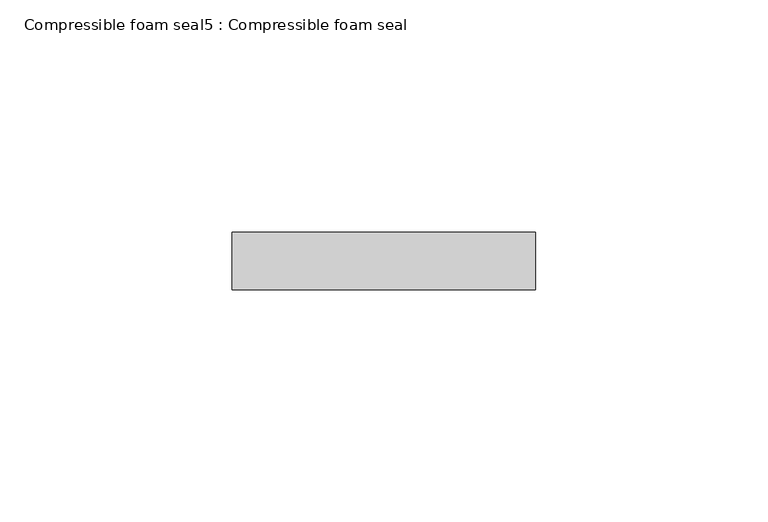
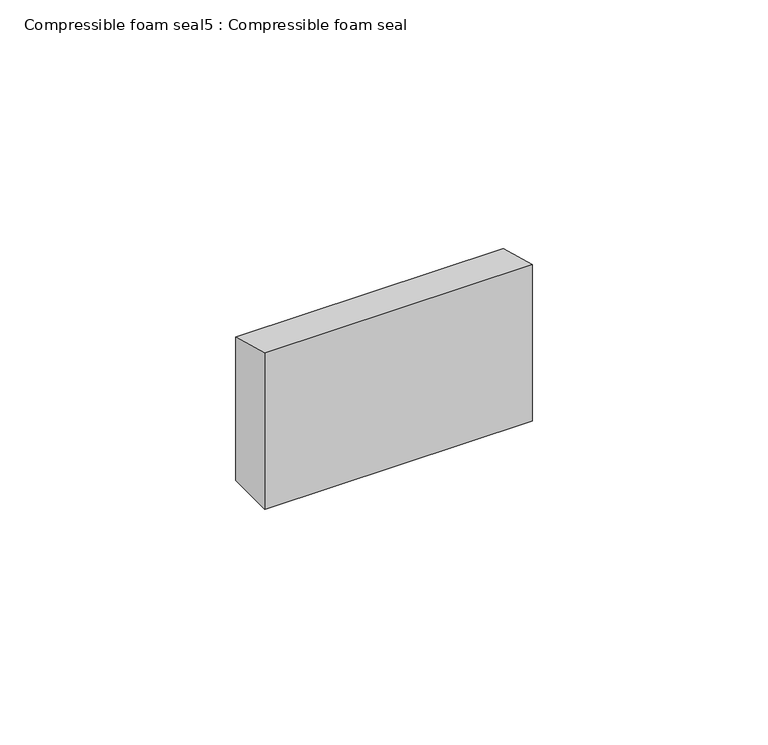
"""IFC4 building model written with IfcOpenShell, lengths in millimetres: proxy geometry, Compressible foam seal5 : Compressible foam seal."""

import ifcopenshell
import ifcopenshell.guid

model = None  # the IFC model being written
_history = None  # IfcOwnerHistory: only IFC2X3 demands one
_inside = {}  # id of a spatial element -> (the spatial element, [elements in it])
_under = {}  # id of a project, library or spatial element -> (it, [spatial elements below it])
_declared = {}  # id of a project -> (the project, [libraries it declares])
_typed = {}  # id of a type object -> (the type object, [elements of that type])
_made_of = {}  # id of a material, layer set ... -> (it, [elements and type objects made of it])


def new_model(schema):
    """Start an empty IFC model of exactly this schema.

    Asked for "IFC4X3", IfcOpenShell would pick the latest addendum, in which some entities
    have other attributes; the version numbers below select the first issue.
    IFC2X3 requires an IfcOwnerHistory on every rooted entity: one is made here for all.
    """
    global model, _history
    if schema == "IFC4X3":
        model = ifcopenshell.file(schema_version=(4, 3, 0, 0))
    else:
        model = ifcopenshell.file(schema=schema)
    _inside.clear()
    _under.clear()
    _declared.clear()
    _typed.clear()
    _made_of.clear()
    _history = None
    if model.schema == "IFC2X3":
        org = make("IfcOrganization", Name="unknown")
        user = make(
            "IfcPersonAndOrganization",
            ThePerson=make("IfcPerson", FamilyName="unknown"),
            TheOrganization=org,
        )
        app = make(
            "IfcApplication",
            ApplicationDeveloper=org,
            Version="unknown",
            ApplicationFullName="unknown",
            ApplicationIdentifier="unknown",
        )
        _history = make(
            "IfcOwnerHistory",
            OwningUser=user,
            OwningApplication=app,
            ChangeAction="ADDED",
            CreationDate=0,
        )
    return model


def make(cls, **values):
    """One entity of the class cls with the attributes given. An attribute that is None is left unset."""
    return model.create_entity(
        cls, **{name: value for name, value in values.items() if value is not None}
    )


def rooted(cls, **values):
    """An entity with a GlobalId (a new one), such as an element, a storey or a relation."""
    return make(cls, GlobalId=ifcopenshell.guid.new(), OwnerHistory=_history, **values)


def si_unit(unit_type, name, prefix=None):
    """IfcSIUnit, for example si_unit("LENGTHUNIT", "METRE", prefix="MILLI")."""
    return make("IfcSIUnit", UnitType=unit_type, Prefix=prefix, Name=name)


def assignment(units):
    """IfcUnitAssignment: the units of a project."""
    return None if units is None else make("IfcUnitAssignment", Units=units)


def point(xyz):
    """IfcCartesianPoint."""
    return None if xyz is None else make("IfcCartesianPoint", Coordinates=xyz)


def direction(xyz):
    """IfcDirection."""
    return None if xyz is None else make("IfcDirection", DirectionRatios=xyz)


def frame(location, z_axis=None, x_axis=None):
    """IfcAxis2Placement3D, a coordinate frame: its origin and axes. An axis left out is left unset."""
    return make(
        "IfcAxis2Placement3D",
        Location=point(location),
        Axis=direction(z_axis),
        RefDirection=direction(x_axis),
    )


def origin():
    """The frame at (0, 0, 0) with its axes left unset."""
    return frame((0.0, 0.0, 0.0))


def place(relative_to, where):
    """IfcLocalPlacement: puts the frame where relative to a parent placement (None: the world)."""
    return make(
        "IfcLocalPlacement", PlacementRelTo=relative_to, RelativePlacement=where
    )


def context(
    kind, dimensions, precision=None, world=None, true_north=None, identifier=None
):
    """IfcGeometricRepresentationContext, for example the 3D "Model" context."""
    return make(
        "IfcGeometricRepresentationContext",
        ContextIdentifier=identifier,
        ContextType=kind,
        CoordinateSpaceDimension=dimensions,
        Precision=precision,
        WorldCoordinateSystem=world,
        TrueNorth=true_north,
    )


def project(units=None, contexts=None):
    """IfcProject with its units and contexts."""
    return rooted(
        "IfcProject",
        Name="project",
        RepresentationContexts=contexts,
        UnitsInContext=assignment(units),
    )


def spatial(cls, under=None, at=None, **own):
    """A site, building, storey or space (cls), placed at a placement, below another one or the project."""
    s = rooted(cls, ObjectPlacement=at, **own)
    if under is not None:
        _under.setdefault(under.id(), (under, []))[1].append(s)
    return s


def polyline(points):
    """IfcPolyline through the points."""
    return make("IfcPolyline", Points=[point(p) for p in points])


def outline(outer, holes=None, kind="AREA"):
    """IfcArbitraryClosedProfileDef: a profile drawn as a closed curve; with holes, ...WithVoids."""
    if holes is None:
        return make("IfcArbitraryClosedProfileDef", ProfileType=kind, OuterCurve=outer)
    return make(
        "IfcArbitraryProfileDefWithVoids",
        ProfileType=kind,
        OuterCurve=outer,
        InnerCurves=holes,
    )


def extrude(swept, where, along, depth):
    """IfcExtrudedAreaSolid: the profile swept, set in the frame where, extruded along a direction by depth."""
    return make(
        "IfcExtrudedAreaSolid",
        SweptArea=swept,
        Position=where,
        ExtrudedDirection=direction(along),
        Depth=depth,
    )


def shape(context_of_items, identifier, shape_type, items):
    """IfcShapeRepresentation: the items that make up one representation, for example the "Body"."""
    return make(
        "IfcShapeRepresentation",
        ContextOfItems=context_of_items,
        RepresentationIdentifier=identifier,
        RepresentationType=shape_type,
        Items=items,
    )


def source(mapping_origin, context_of_items, identifier, shape_type, items):
    """IfcRepresentationMap: a shape defined once, which mapped items show again and again."""
    return make(
        "IfcRepresentationMap",
        MappingOrigin=mapping_origin,
        MappedRepresentation=shape(context_of_items, identifier, shape_type, items),
    )


def transform(
    local_origin,
    x_axis=None,
    y_axis=None,
    z_axis=None,
    scale=None,
    scale2=None,
    scale3=None,
    uniform=True,
):
    """IfcCartesianTransformationOperator3D, or its non-uniform kind. x_axis, y_axis, z_axis: its Axis1, 2, 3."""
    if uniform:
        return make(
            "IfcCartesianTransformationOperator3D",
            Axis1=direction(x_axis),
            Axis2=direction(y_axis),
            LocalOrigin=point(local_origin),
            Scale=scale,
            Axis3=direction(z_axis),
        )
    return make(
        "IfcCartesianTransformationOperator3DnonUniform",
        Axis1=direction(x_axis),
        Axis2=direction(y_axis),
        LocalOrigin=point(local_origin),
        Scale=scale,
        Axis3=direction(z_axis),
        Scale2=scale2,
        Scale3=scale3,
    )


def mapped(mapping_source, mapping_target):
    """IfcMappedItem: shows the shape of a source again, moved by a transform."""
    return make(
        "IfcMappedItem", MappingSource=mapping_source, MappingTarget=mapping_target
    )


def made_of(thing, what):
    """Note that an element or type object is made of a material, layer set ...; save() writes the relation."""
    if what is not None:
        _made_of.setdefault(what.id(), (what, []))[1].append(thing)
    return thing


def element(
    cls,
    number,
    at=None,
    inside=None,
    cuts=None,
    type_object=None,
    material=None,
    context=None,
    identifier="Body",
    shape_type=None,
    held_by="IfcProductDefinitionShape",
    body=None,
    shapes=None,
    **own,
):
    """One element of the class cls, such as IfcWall. Its Tag is "e" and its number.

    at: its placement. inside: the storey or other place that contains it. cuts: it is an
    opening in that element (IfcRelVoidsElement). A single representation is given by context,
    identifier, shape_type and body (its items); several are given by shapes. held_by: the class
    of the entity that holds the representations. save() writes the other relations.
    """
    e = rooted(cls, Tag="e%d" % number, ObjectPlacement=at, **own)
    if body is not None:
        shapes = [shape(context, identifier, shape_type, body)]
    if shapes is not None:
        e.Representation = make(held_by, Representations=shapes)
    if inside is not None:
        _inside.setdefault(inside.id(), (inside, []))[1].append(e)
    if cuts is not None:
        rooted(
            "IfcRelVoidsElement", RelatingBuildingElement=cuts, RelatedOpeningElement=e
        )
    if type_object is not None:
        _typed.setdefault(type_object.id(), (type_object, []))[1].append(e)
    return made_of(e, material)


def aggregate(whole, parts):
    """IfcRelAggregates: a whole, such as a stair, and the parts it consists of."""
    return rooted("IfcRelAggregates", RelatingObject=whole, RelatedObjects=parts)


def save(model, path):
    """Write the relations noted so far, then the file.

    IfcRelAggregates (storeys below a building ...), IfcRelContainedInSpatialStructure (elements
    in a storey), IfcRelDefinesByType, IfcRelAssociatesMaterial and IfcRelDeclares: one each for
    every whole, place, type object, material and project.
    """
    for whole, parts in _under.values():
        aggregate(whole, parts)
    for where, things in _inside.values():
        rooted(
            "IfcRelContainedInSpatialStructure",
            RelatedElements=things,
            RelatingStructure=where,
        )
    for kind, things in _typed.values():
        rooted("IfcRelDefinesByType", RelatedObjects=things, RelatingType=kind)
    for what, things in _made_of.values():
        rooted("IfcRelAssociatesMaterial", RelatedObjects=things, RelatingMaterial=what)
    for by, libraries in _declared.values():
        rooted("IfcRelDeclares", RelatingContext=by, RelatedDefinitions=libraries)
    model.write(path)


def compressible_foam_seal5_compressible_foam_seal_3e566a2c(model_context):
    return source(origin(), model_context, "Body", "SweptSolid", [
        extrude(outline(polyline([(10659.8333305, 306.4551735), (10672.2344915, 303.1322924), (10672.2344915, 265.9589997), (10659.8333305, 265.9589997), (10659.8333305, 306.4551735)])), frame((16226.8688838, 0.0, 0.0), z_axis=(1.0, 0.0, 0.0), x_axis=(0.0, 1.0, 0.0)), (0.0, 0.0, 1.0), 65.4852948),
    ])


if __name__ == "__main__":
    model = new_model("IFC4")
    model_context = context("Model", 3, world=origin())
    ifc_project = project(units=[si_unit("LENGTHUNIT", "METRE", prefix="MILLI")], contexts=[model_context])
    site = spatial("IfcSite", under=ifc_project)
    building = spatial("IfcBuilding", under=site)
    placement = place(None, origin())
    compressible_foam_seal5_compressible_foam_seal_shape = compressible_foam_seal5_compressible_foam_seal_3e566a2c(model_context)
    element("IfcBuildingElementProxy", 1, Name="Compressible foam seal5 : Compressible foam seal", ObjectType="Compressible foam seal5 : Compressible foam seal", at=placement, inside=building, context=model_context, shape_type="MappedRepresentation", body=[
        mapped(compressible_foam_seal5_compressible_foam_seal_shape, transform((0.0, 0.0, 0.0), x_axis=(1.0, 0.0, 0.0), y_axis=(0.0, 1.0, 0.0), z_axis=(0.0, 0.0, 1.0))),
    ])
    save(model, "model.ifc")
